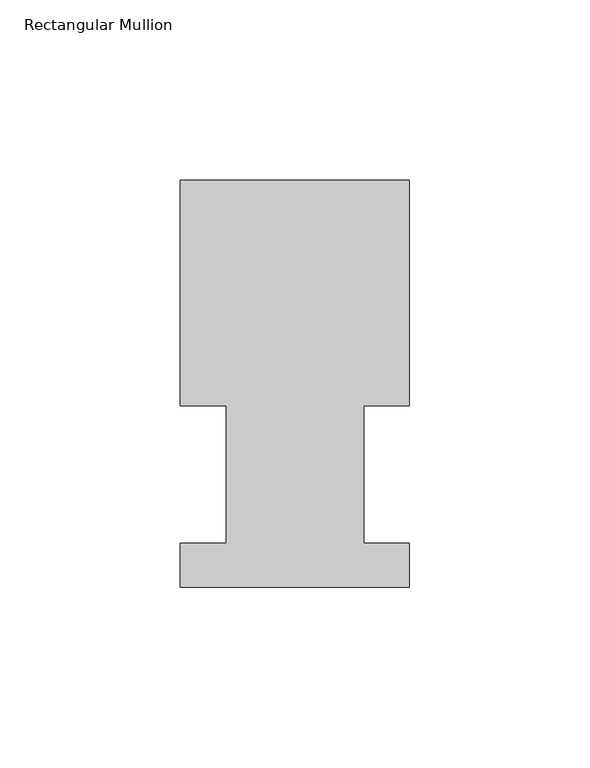
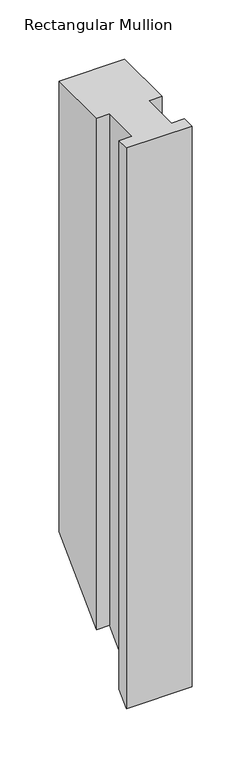
"""IFC4 building model written with IfcOpenShell, lengths in millimetres: member geometry, Rectangular Mullion."""

import ifcopenshell
import ifcopenshell.guid

model = None  # the IFC model being written
_history = None  # IfcOwnerHistory: only IFC2X3 demands one
_inside = {}  # id of a spatial element -> (the spatial element, [elements in it])
_under = {}  # id of a project, library or spatial element -> (it, [spatial elements below it])
_declared = {}  # id of a project -> (the project, [libraries it declares])
_typed = {}  # id of a type object -> (the type object, [elements of that type])
_made_of = {}  # id of a material, layer set ... -> (it, [elements and type objects made of it])


def new_model(schema):
    """Start an empty IFC model of exactly this schema.

    Asked for "IFC4X3", IfcOpenShell would pick the latest addendum, in which some entities
    have other attributes; the version numbers below select the first issue.
    IFC2X3 requires an IfcOwnerHistory on every rooted entity: one is made here for all.
    """
    global model, _history
    if schema == "IFC4X3":
        model = ifcopenshell.file(schema_version=(4, 3, 0, 0))
    else:
        model = ifcopenshell.file(schema=schema)
    _inside.clear()
    _under.clear()
    _declared.clear()
    _typed.clear()
    _made_of.clear()
    _history = None
    if model.schema == "IFC2X3":
        org = make("IfcOrganization", Name="unknown")
        user = make(
            "IfcPersonAndOrganization",
            ThePerson=make("IfcPerson", FamilyName="unknown"),
            TheOrganization=org,
        )
        app = make(
            "IfcApplication",
            ApplicationDeveloper=org,
            Version="unknown",
            ApplicationFullName="unknown",
            ApplicationIdentifier="unknown",
        )
        _history = make(
            "IfcOwnerHistory",
            OwningUser=user,
            OwningApplication=app,
            ChangeAction="ADDED",
            CreationDate=0,
        )
    return model


def make(cls, **values):
    """One entity of the class cls with the attributes given. An attribute that is None is left unset."""
    return model.create_entity(
        cls, **{name: value for name, value in values.items() if value is not None}
    )


def rooted(cls, **values):
    """An entity with a GlobalId (a new one), such as an element, a storey or a relation."""
    return make(cls, GlobalId=ifcopenshell.guid.new(), OwnerHistory=_history, **values)


def si_unit(unit_type, name, prefix=None):
    """IfcSIUnit, for example si_unit("LENGTHUNIT", "METRE", prefix="MILLI")."""
    return make("IfcSIUnit", UnitType=unit_type, Prefix=prefix, Name=name)


def assignment(units):
    """IfcUnitAssignment: the units of a project."""
    return None if units is None else make("IfcUnitAssignment", Units=units)


def point(xyz):
    """IfcCartesianPoint."""
    return None if xyz is None else make("IfcCartesianPoint", Coordinates=xyz)


def direction(xyz):
    """IfcDirection."""
    return None if xyz is None else make("IfcDirection", DirectionRatios=xyz)


def frame(location, z_axis=None, x_axis=None):
    """IfcAxis2Placement3D, a coordinate frame: its origin and axes. An axis left out is left unset."""
    return make(
        "IfcAxis2Placement3D",
        Location=point(location),
        Axis=direction(z_axis),
        RefDirection=direction(x_axis),
    )


def origin():
    """The frame at (0, 0, 0) with its axes left unset."""
    return frame((0.0, 0.0, 0.0))


def place(relative_to, where):
    """IfcLocalPlacement: puts the frame where relative to a parent placement (None: the world)."""
    return make(
        "IfcLocalPlacement", PlacementRelTo=relative_to, RelativePlacement=where
    )


def context(
    kind, dimensions, precision=None, world=None, true_north=None, identifier=None
):
    """IfcGeometricRepresentationContext, for example the 3D "Model" context."""
    return make(
        "IfcGeometricRepresentationContext",
        ContextIdentifier=identifier,
        ContextType=kind,
        CoordinateSpaceDimension=dimensions,
        Precision=precision,
        WorldCoordinateSystem=world,
        TrueNorth=true_north,
    )


def project(units=None, contexts=None):
    """IfcProject with its units and contexts."""
    return rooted(
        "IfcProject",
        Name="project",
        RepresentationContexts=contexts,
        UnitsInContext=assignment(units),
    )


def spatial(cls, under=None, at=None, **own):
    """A site, building, storey or space (cls), placed at a placement, below another one or the project."""
    s = rooted(cls, ObjectPlacement=at, **own)
    if under is not None:
        _under.setdefault(under.id(), (under, []))[1].append(s)
    return s


def faces_of(points, faces, orient=None, outer=None):
    """IfcFace entities. A face is a list of loops; a loop is a list of indices into points, from 0.

    orient and outer hold one flag for each loop. By default every Orientation is true, the
    first loop of a face is its IfcFaceOuterBound and the others are IfcFaceBound.
    """
    made = []
    for i, loops in enumerate(faces):
        bounds = []
        for j, loop in enumerate(loops):
            is_outer = j == 0 if outer is None else outer[i][j]
            bounds.append(
                make(
                    "IfcFaceOuterBound" if is_outer else "IfcFaceBound",
                    Bound=make("IfcPolyLoop", Polygon=[points[k] for k in loop]),
                    Orientation=True if orient is None else orient[i][j],
                )
            )
        made.append(make("IfcFace", Bounds=bounds))
    return made


def faceted_brep(points, faces, orient=None, outer=None, voids=None):
    """IfcFacetedBrep: a solid bounded by flat faces; with voids (closed shells), ...WithVoids."""
    shared = [point(p) for p in points]
    hull = make("IfcClosedShell", CfsFaces=faces_of(shared, faces, orient, outer))
    if voids is None:
        return make("IfcFacetedBrep", Outer=hull)
    return make(
        "IfcFacetedBrepWithVoids",
        Outer=hull,
        Voids=[
            make(cls, CfsFaces=faces_of(shared, fs, o, b)) for cls, fs, o, b in voids
        ],
    )


def shape(context_of_items, identifier, shape_type, items):
    """IfcShapeRepresentation: the items that make up one representation, for example the "Body"."""
    return make(
        "IfcShapeRepresentation",
        ContextOfItems=context_of_items,
        RepresentationIdentifier=identifier,
        RepresentationType=shape_type,
        Items=items,
    )


def source(mapping_origin, context_of_items, identifier, shape_type, items):
    """IfcRepresentationMap: a shape defined once, which mapped items show again and again."""
    return make(
        "IfcRepresentationMap",
        MappingOrigin=mapping_origin,
        MappedRepresentation=shape(context_of_items, identifier, shape_type, items),
    )


def transform(
    local_origin,
    x_axis=None,
    y_axis=None,
    z_axis=None,
    scale=None,
    scale2=None,
    scale3=None,
    uniform=True,
):
    """IfcCartesianTransformationOperator3D, or its non-uniform kind. x_axis, y_axis, z_axis: its Axis1, 2, 3."""
    if uniform:
        return make(
            "IfcCartesianTransformationOperator3D",
            Axis1=direction(x_axis),
            Axis2=direction(y_axis),
            LocalOrigin=point(local_origin),
            Scale=scale,
            Axis3=direction(z_axis),
        )
    return make(
        "IfcCartesianTransformationOperator3DnonUniform",
        Axis1=direction(x_axis),
        Axis2=direction(y_axis),
        LocalOrigin=point(local_origin),
        Scale=scale,
        Axis3=direction(z_axis),
        Scale2=scale2,
        Scale3=scale3,
    )


def mapped(mapping_source, mapping_target):
    """IfcMappedItem: shows the shape of a source again, moved by a transform."""
    return make(
        "IfcMappedItem", MappingSource=mapping_source, MappingTarget=mapping_target
    )


def made_of(thing, what):
    """Note that an element or type object is made of a material, layer set ...; save() writes the relation."""
    if what is not None:
        _made_of.setdefault(what.id(), (what, []))[1].append(thing)
    return thing


def element(
    cls,
    number,
    at=None,
    inside=None,
    cuts=None,
    type_object=None,
    material=None,
    context=None,
    identifier="Body",
    shape_type=None,
    held_by="IfcProductDefinitionShape",
    body=None,
    shapes=None,
    **own,
):
    """One element of the class cls, such as IfcWall. Its Tag is "e" and its number.

    at: its placement. inside: the storey or other place that contains it. cuts: it is an
    opening in that element (IfcRelVoidsElement). A single representation is given by context,
    identifier, shape_type and body (its items); several are given by shapes. held_by: the class
    of the entity that holds the representations. save() writes the other relations.
    """
    e = rooted(cls, Tag="e%d" % number, ObjectPlacement=at, **own)
    if body is not None:
        shapes = [shape(context, identifier, shape_type, body)]
    if shapes is not None:
        e.Representation = make(held_by, Representations=shapes)
    if inside is not None:
        _inside.setdefault(inside.id(), (inside, []))[1].append(e)
    if cuts is not None:
        rooted(
            "IfcRelVoidsElement", RelatingBuildingElement=cuts, RelatedOpeningElement=e
        )
    if type_object is not None:
        _typed.setdefault(type_object.id(), (type_object, []))[1].append(e)
    return made_of(e, material)


def aggregate(whole, parts):
    """IfcRelAggregates: a whole, such as a stair, and the parts it consists of."""
    return rooted("IfcRelAggregates", RelatingObject=whole, RelatedObjects=parts)


def save(model, path):
    """Write the relations noted so far, then the file.

    IfcRelAggregates (storeys below a building ...), IfcRelContainedInSpatialStructure (elements
    in a storey), IfcRelDefinesByType, IfcRelAssociatesMaterial and IfcRelDeclares: one each for
    every whole, place, type object, material and project.
    """
    for whole, parts in _under.values():
        aggregate(whole, parts)
    for where, things in _inside.values():
        rooted(
            "IfcRelContainedInSpatialStructure",
            RelatedElements=things,
            RelatingStructure=where,
        )
    for kind, things in _typed.values():
        rooted("IfcRelDefinesByType", RelatedObjects=things, RelatingType=kind)
    for what, things in _made_of.values():
        rooted("IfcRelAssociatesMaterial", RelatedObjects=things, RelatingMaterial=what)
    for by, libraries in _declared.values():
        rooted("IfcRelDeclares", RelatingContext=by, RelatedDefinitions=libraries)
    model.write(path)


def rectangular_mullion_4f6eb441(model_context):
    return source(origin(), model_context, "Body", "Brep", [
        faceted_brep([(-63.5368106, 52.5859375, 0.0), (-50.7405803, 52.5859375, 0.0), (-50.7405803, 14.4859413, 0.0), (-63.5, 14.4859413, 0.0), (-63.5, 2.1909696, 0.0), (0.0, 2.1909696, 0.0), (0.0, 14.4858895, 0.0), (-12.602764, 14.4858895, 0.0), (-12.602764, 52.5859375, 0.0), (0.0, 52.5859375, 0.0), (0.0, 115.0699375, 0.0), (-63.5368106, 115.0699375, 0.0), (-63.5368106, 52.5859375, -525.2640625), (-50.7405803, 52.5859375, -525.2640625), (-50.7405803, 14.4859413, -563.3640587), (-63.5, 14.4859413, -563.3640587), (-63.5, 2.1909696, -575.6590304), (0.0, 2.1909696, -575.6590304), (0.0, 14.4858895, -563.3641105), (-12.602764, 14.4858895, -563.3641105), (-12.602764, 52.5859375, -525.2640625), (0.0, 52.5859375, -525.2640625), (0.0, 115.0699375, -462.7800625), (-63.5368106, 115.0699375, -462.7800625)], [[[0, 1, 2, 3, 4, 5, 6, 7, 8, 9, 10, 11]], [[1, 0, 12, 13]], [[2, 1, 13, 14]], [[3, 2, 14, 15]], [[4, 3, 15, 16]], [[5, 4, 16, 17]], [[6, 5, 17, 18]], [[7, 6, 18, 19]], [[8, 7, 19, 20]], [[9, 8, 20, 21]], [[10, 9, 21, 22]], [[11, 10, 22, 23]], [[0, 11, 23, 12]], [[12, 23, 22, 21, 20, 19, 18, 17, 16, 15, 14, 13]]]),
    ])


if __name__ == "__main__":
    model = new_model("IFC4")
    model_context = context("Model", 3, world=origin())
    ifc_project = project(units=[si_unit("LENGTHUNIT", "METRE", prefix="MILLI")], contexts=[model_context])
    site = spatial("IfcSite", under=ifc_project)
    building = spatial("IfcBuilding", under=site)
    placement = place(None, origin())
    rectangular_mullion_shape = rectangular_mullion_4f6eb441(model_context)
    element("IfcMember", 1, ObjectType="Rectangular Mullion", at=placement, inside=building, context=model_context, shape_type="MappedRepresentation", body=[
        mapped(rectangular_mullion_shape, transform((0.0, 0.0, 0.0), x_axis=(1.0, 0.0, 0.0), y_axis=(0.0, 1.0, 0.0), z_axis=(0.0, 0.0, 1.0))),
    ])
    save(model, "model.ifc")
